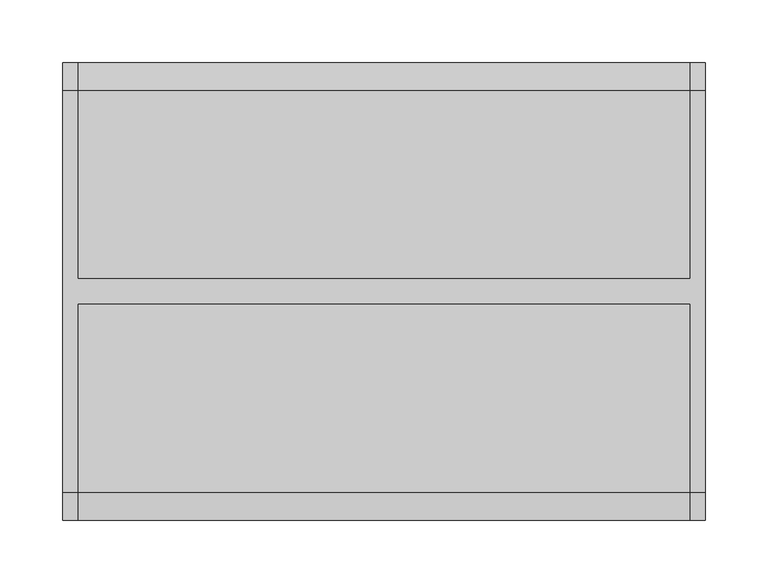
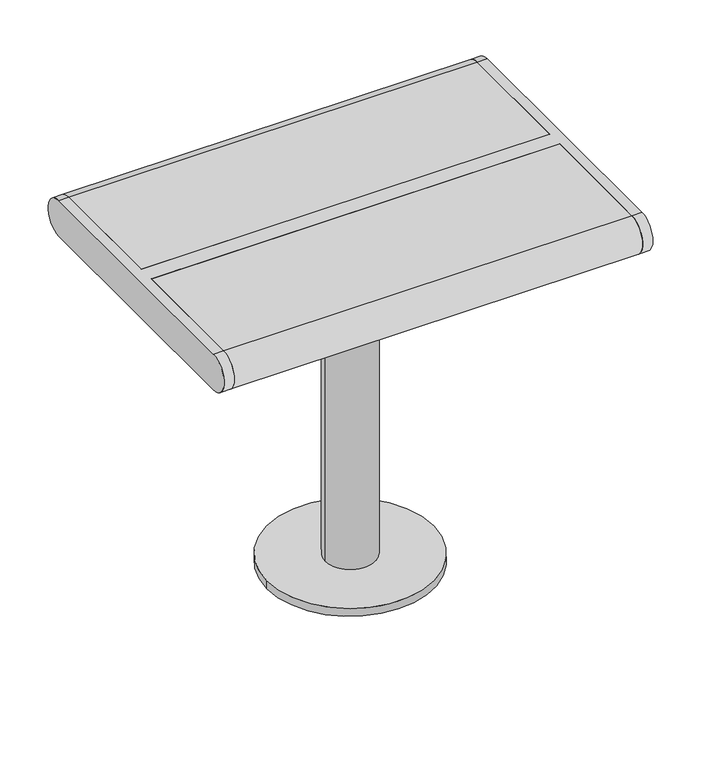
"""IFC4 building model written with IfcOpenShell, lengths in millimetres: furniture geometry."""

from ifc_helpers import new_model, si_unit, point, frame, frame_2d, origin, origin_with_axes, origin_2d, place, context, project, spatial, polyline, circle_curve, trimmed, segment, composite_curve, outline, extrude, source, transform, mapped, element, save
from ifc_brep_helpers import plane_surface, cylinder_surface, advanced_brep


def furniture_a4529b66(model_context):
    return source(origin(), model_context, "Body", "SolidModel", [
        extrude(outline(composite_curve([segment(trimmed(circle_curve(origin_2d(), 100.0), [point((-100.0, 0.0))], [point((100.0, 0.0))], False, "CARTESIAN"), True, "CONTINUOUS"), segment(trimmed(circle_curve(origin_2d(), 100.0), [point((100.0, 0.0))], [point((-100.0, 0.0))], False, "CARTESIAN"), True, "CONTINUOUS")], self_intersect=False)), origin_with_axes(), (0.0, 0.0, 1.0), 10.0),
        extrude(outline(composite_curve([segment(trimmed(circle_curve(origin_2d(), 30.0), [point((-30.0, 0.0))], [point((30.0, 0.0))], False, "CARTESIAN"), True, "CONTINUOUS"), segment(trimmed(circle_curve(origin_2d(), 30.0), [point((30.0, 0.0))], [point((-30.0, 0.0))], False, "CARTESIAN"), True, "CONTINUOUS")], self_intersect=False)), frame((0.0, 0.0, 10.0), z_axis=(0.0, 0.0, 1.0), x_axis=(1.0, 0.0, 0.0)), (0.0, 0.0, 1.0), 379.0),
        extrude(outline(polyline([(75.0, 125.0), (75.0, -125.0), (-75.0, -125.0), (-75.0, 125.0), (75.0, 125.0)])), frame((0.0, 0.0, 389.0), z_axis=(0.0, 0.0, 1.0), x_axis=(1.0, 0.0, 0.0)), (0.0, 0.0, 1.0), 16.0),
        advanced_brep(
        [(257.0, -161.0, 405.0), (257.0, 160.0, 405.0), (257.0, 160.0, 450.0), (257.0, -161.0, 450.0), (245.0, -161.0, 405.0), (245.0, -161.0, 450.0), (245.0, -10.5, 450.0), (245.0, -10.5, 405.0), (245.0, 160.0, 450.0), (245.0, 160.0, 405.0), (245.0, 9.5, 405.0), (245.0, 9.5, 450.0), (-245.0, 9.5, 450.0), (-245.0, 160.0, 450.0), (-257.0, 160.0, 450.0), (-257.0, -161.0, 450.0), (-245.0, -161.0, 450.0), (-245.0, -10.5, 450.0), (-245.0, -10.5, 405.0), (-245.0, -161.0, 405.0), (-257.0, -161.0, 405.0), (-257.0, 160.0, 405.0), (-245.0, 160.0, 405.0), (-245.0, 9.5, 405.0)],
        [
            (0, 1),
            (1, 2, circle_curve(frame((257.0, 160.0, 427.5), z_axis=(1.0, 0.0, 0.0), x_axis=(0.0, 1.0, 0.0)), 22.5)),
            (2, 3),
            (3, 0, circle_curve(frame((257.0, -161.0, 427.5), z_axis=(1.0, 0.0, 0.0), x_axis=(0.0, -1.0, 0.0)), 22.5)),
            (4, 5, circle_curve(frame((245.0, -161.0, 427.5), z_axis=(-1.0, 0.0, 0.0), x_axis=(0.0, -1.0, 0.0)), 22.5)),
            (5, 6),
            (6, 7),
            (7, 4),
            (8, 9, circle_curve(frame((245.0, 160.0, 427.5), z_axis=(-1.0, 0.0, 0.0), x_axis=(0.0, 1.0, 0.0)), 22.5)),
            (9, 10),
            (10, 11),
            (11, 8),
            (2, 8),
            (11, 12),
            (12, 13),
            (13, 14),
            (14, 15),
            (15, 16),
            (16, 17),
            (17, 6),
            (5, 3),
            (0, 4),
            (7, 18),
            (18, 19),
            (19, 20),
            (20, 21),
            (21, 22),
            (22, 23),
            (23, 10),
            (9, 1),
            (17, 18),
            (23, 12),
            (22, 13, circle_curve(frame((-245.0, 160.0, 427.5), z_axis=(1.0, 0.0, 0.0), x_axis=(0.0, -1.0, 0.0)), 22.5)),
            (16, 19, circle_curve(frame((-245.0, -161.0, 427.5), z_axis=(1.0, 0.0, 0.0), x_axis=(0.0, -1.0, 0.0)), 22.5)),
            (20, 15, circle_curve(frame((-257.0, -161.0, 427.5), z_axis=(-1.0, 0.0, 0.0), x_axis=(0.0, -1.0, 0.0)), 22.5)),
            (14, 21, circle_curve(frame((-257.0, 160.0, 427.5), z_axis=(-1.0, 0.0, 0.0), x_axis=(0.0, -1.0, 0.0)), 22.5)),
        ],
        [
            plane_surface(frame((257.0, 160.0, 405.0), z_axis=(1.0, 0.0, 0.0), x_axis=(0.0, 1.0, 0.0))),
            plane_surface(frame((245.0, 160.0, 405.0), z_axis=(-1.0, 0.0, 0.0), x_axis=(0.0, -1.0, 0.0))),
            plane_surface(frame((257.0, 160.0, 450.0), z_axis=(0.0, 0.0, 1.0), x_axis=(-1.0, 0.0, 0.0))),
            plane_surface(frame((257.0, -161.0, 405.0), z_axis=(0.0, 0.0, -1.0), x_axis=(-1.0, 0.0, 0.0))),
            cylinder_surface(frame((245.0, -161.0, 427.5), z_axis=(1.0, 0.0, 0.0), x_axis=(0.0, -1.0, 0.0)), 22.5),
            cylinder_surface(frame((245.0, 160.0, 427.5), z_axis=(1.0, 0.0, 0.0), x_axis=(0.0, 1.0, 0.0)), 22.5),
            plane_surface(frame((245.0, -10.5, 450.0), z_axis=(0.0, -1.0, 0.0), x_axis=(-1.0, 0.0, 0.0))),
            plane_surface(frame((245.0, 9.5, 405.0), z_axis=(0.0, 1.0, 0.0), x_axis=(-1.0, 0.0, 0.0))),
            plane_surface(frame((-245.0, 160.0, 405.0), z_axis=(1.0, 0.0, 0.0), x_axis=(0.0, 1.0, 0.0))),
            plane_surface(frame((-257.0, 160.0, 405.0), z_axis=(-1.0, 0.0, 0.0), x_axis=(0.0, -1.0, 0.0))),
            cylinder_surface(frame((-257.0, -161.0, 427.5), z_axis=(1.0, 0.0, 0.0), x_axis=(0.0, -1.0, 0.0)), 22.5),
            cylinder_surface(frame((-257.0, 160.0, 427.5), z_axis=(1.0, 0.0, 0.0), x_axis=(0.0, -1.0, 0.0)), 22.5),
        ],
        [
            (0, [[1, 2, 3, 4]]),
            (1, [[5, 6, 7, 8]]),
            (1, [[9, 10, 11, 12]]),
            (2, [[-3, 13, -12, 14, 15, 16, 17, 18, 19, 20, -6, 21]]),
            (3, [[-1, 22, -8, 23, 24, 25, 26, 27, 28, 29, -10, 30]]),
            (4, [[-4, -21, -5, -22]]),
            (5, [[-2, -30, -9, -13]]),
            (6, [[-20, 31, -23, -7]]),
            (7, [[-14, -11, -29, 32]]),
            (8, [[33, -15, -32, -28]]),
            (8, [[34, -24, -31, -19]]),
            (9, [[35, -17, 36, -26]]),
            (10, [[-34, -18, -35, -25]]),
            (11, [[-33, -27, -36, -16]]),
        ],
    ),
        extrude(outline(composite_curve([segment(polyline([(9.5, 405.0), (9.5, 450.0), (160.0, 450.0)]), True, "CONTINUOUS"), segment(trimmed(circle_curve(frame_2d((160.0, 427.5)), 22.5), [point((160.0, 450.0))], [point((160.0, 405.0))], False, "CARTESIAN"), True, "CONTINUOUS"), segment(polyline([(160.0, 405.0), (9.5, 405.0)]), True, "CONTINUOUS")], self_intersect=False)), frame((-245.0, 0.0, 0.0), z_axis=(1.0, 0.0, 0.0), x_axis=(0.0, 1.0, 0.0)), (0.0, 0.0, 1.0), 490.0),
        extrude(outline(composite_curve([segment(polyline([(-10.5, 405.0), (-161.0, 405.0)]), True, "CONTINUOUS"), segment(trimmed(circle_curve(frame_2d((-161.0, 427.5)), 22.5), [point((-161.0, 405.0))], [point((-161.0, 450.0))], False, "CARTESIAN"), True, "CONTINUOUS"), segment(polyline([(-161.0, 450.0), (-10.5, 450.0), (-10.5, 405.0)]), True, "CONTINUOUS")], self_intersect=False)), frame((-245.0, 0.0, 0.0), z_axis=(1.0, 0.0, 0.0), x_axis=(0.0, 1.0, 0.0)), (0.0, 0.0, 1.0), 490.0),
    ])


if __name__ == "__main__":
    model = new_model("IFC4")
    model_context = context("Model", 3, world=origin())
    ifc_project = project(units=[si_unit("LENGTHUNIT", "METRE", prefix="MILLI")], contexts=[model_context])
    site = spatial("IfcSite", under=ifc_project)
    building = spatial("IfcBuilding", under=site)
    placement = place(None, origin())
    furniture_shape = furniture_a4529b66(model_context)
    element("IfcFurniture", 1, at=placement, inside=building, context=model_context, shape_type="MappedRepresentation", body=[
        mapped(furniture_shape, transform((0.0, 0.0, 0.0), x_axis=(1.0, 0.0, 0.0), y_axis=(0.0, 1.0, 0.0), z_axis=(0.0, 0.0, 1.0))),
    ])
    save(model, "model.ifc")
